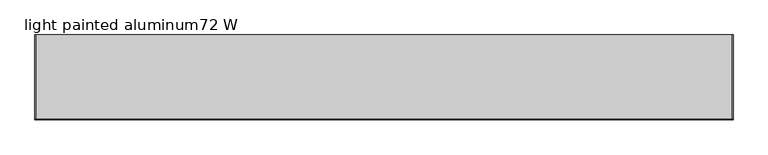
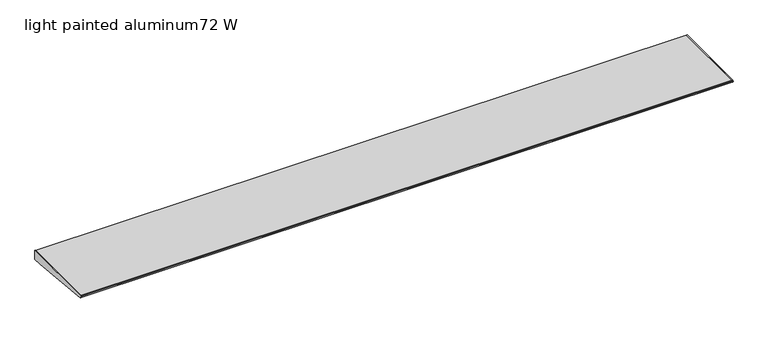
"""IFC4 building model written with IfcOpenShell, lengths in millimetres: furniture geometry, light painted aluminum72 W."""

from ifc_helpers import new_model, si_unit, point, frame, frame_2d, origin, place, context, project, spatial, polyline, circle_curve, trimmed, segment, composite_curve, outline, extrude, source, transform, mapped, element, save


def light_painted_aluminum72_w_e4937528(model_context):
    return source(origin(), model_context, "Body", "SweptSolid", [
        extrude(outline(polyline([(-222.022331, 1046.9893955), (-220.8911683, 1048.4538129), (-218.9431893, 1049.06572), (0.0, 1049.06572), (0.0, 1023.66572), (-25.3684852, 1023.66572), (-219.3540346, 1042.7309436), (-221.1050905, 1043.476088), (-222.1155121, 1045.0886781), (-222.022331, 1046.9893955)])), frame((1824.2279999, 0.0, 0.0), z_axis=(1.0, 0.0, 0.0), x_axis=(0.0, 1.0, 0.0)), (0.0, 0.0, 1.0), 2.032),
        extrude(outline(polyline([(-222.022331, 1046.9893955), (-220.8911683, 1048.4538129), (-218.9431893, 1049.06572), (0.0, 1049.06572), (0.0, 1023.66572), (-25.3684852, 1023.66572), (-219.3540346, 1042.7309436), (-221.1050905, 1043.476088), (-222.1155121, 1045.0886781), (-222.022331, 1046.9893955)])), frame((2.5400001, 0.0, 0.0), z_axis=(1.0, 0.0, 0.0), x_axis=(0.0, 1.0, 0.0)), (0.0, 0.0, 1.0), 2.032),
        extrude(outline(composite_curve([segment(trimmed(circle_curve(frame_2d((1015.7974175, 58.3162226)), 1.0463518), [point((1016.8201098, 58.0949706))], [point((1014.790757, 58.6016816))], False, "CARTESIAN"), True, "CONTINUOUS"), segment(polyline([(1014.790757, 58.6016816), (1015.855879, 62.3577944), (1016.238223, 66.4971993), (1015.8805596, 70.3694063), (1014.8613553, 73.9635924)]), True, "CONTINUOUS"), segment(trimmed(circle_curve(frame_2d((1015.8784828, 74.2520195)), 1.0572316), [point((1014.8613553, 73.9635924))], [point((1016.9118089, 74.4755719))], False, "CARTESIAN"), True, "CONTINUOUS"), segment(polyline([(1016.9118089, 74.4755719), (1018.6378705, 66.4971993), (1016.8201098, 58.0949706)]), True, "CONTINUOUS")], self_intersect=False)), frame((0.0, -36.5726904, 0.0), z_axis=(0.0, 1.0, 0.0), x_axis=(0.0, 0.0, 1.0)), (0.0, 0.0, 1.0), 5.9999994),
        extrude(outline(composite_curve([segment(polyline([(1029.22197, 95.2723858), (1029.22197, 37.7288388)]), True, "CONTINUOUS"), segment(trimmed(circle_curve(frame_2d((1023.268845, 37.7288388)), 5.953125), [point((1029.22197, 37.7288388))], [point((1017.31572, 37.7288388))], False, "CARTESIAN"), True, "CONTINUOUS"), segment(polyline([(1017.31572, 37.7288388), (1017.31572, 95.2723858)]), True, "CONTINUOUS"), segment(trimmed(circle_curve(frame_2d((1023.268845, 95.2723858)), 5.953125), [point((1017.31572, 95.2723858))], [point((1029.22197, 95.2723858))], False, "CARTESIAN"), True, "CONTINUOUS")], self_intersect=False)), frame((0.0, -43.5726901, 0.0), z_axis=(0.0, 1.0, 0.0), x_axis=(0.0, 0.0, 1.0)), (0.0, 0.0, 1.0), 19.9999488),
        extrude(outline(polyline([(1775.0536077, -30.7458409), (1775.0536077, -40.9058425), (82.9056045, -40.9058425), (82.9056045, -30.7458409), (1775.0536077, -30.7458409)])), frame((0.0, 0.0, 1027.48092), z_axis=(0.0, 0.0, 1.0), x_axis=(1.0, 0.0, 0.0)), (0.0, 0.0, 1.0), 0.8127998),
        extrude(outline(polyline([(0.0, 1049.06572), (0.0, 1023.66572), (-25.3684852, 1023.66572), (-219.3540346, 1042.7309436), (-221.1050905, 1043.476088), (-222.1155121, 1045.0886781), (-222.022331, 1046.9893955), (-220.8911683, 1048.4538129), (-218.9431893, 1049.06572), (0.0, 1049.06572)])), frame((4.5720001, 0.0, 0.0), z_axis=(1.0, 0.0, 0.0), x_axis=(0.0, 1.0, 0.0)), (0.0, 0.0, 1.0), 1819.6559997),
    ])


if __name__ == "__main__":
    model = new_model("IFC4")
    model_context = context("Model", 3, world=origin())
    ifc_project = project(units=[si_unit("LENGTHUNIT", "METRE", prefix="MILLI")], contexts=[model_context])
    site = spatial("IfcSite", under=ifc_project)
    building = spatial("IfcBuilding", under=site)
    placement = place(None, origin())
    light_painted_aluminum72_w_shape = light_painted_aluminum72_w_e4937528(model_context)
    element("IfcFurniture", 1, ObjectType="light painted aluminum72 W", at=placement, inside=building, context=model_context, shape_type="MappedRepresentation", body=[
        mapped(light_painted_aluminum72_w_shape, transform((0.0, 0.0, 0.0), x_axis=(1.0, 0.0, 0.0), y_axis=(0.0, 1.0, 0.0), z_axis=(0.0, 0.0, 1.0))),
    ])
    save(model, "model.ifc")
